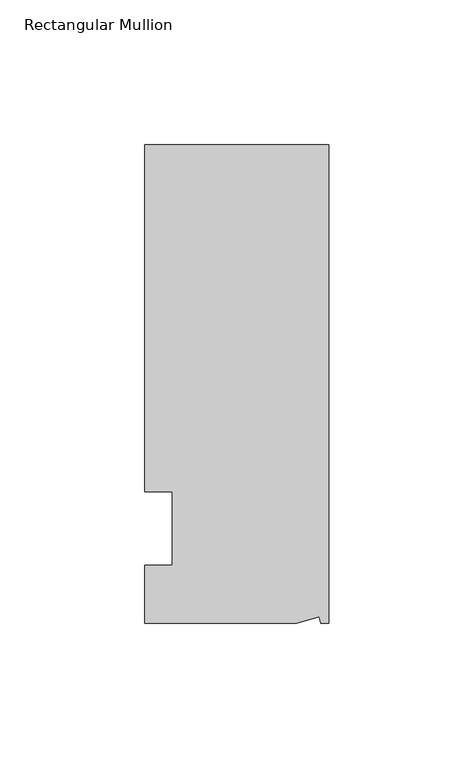
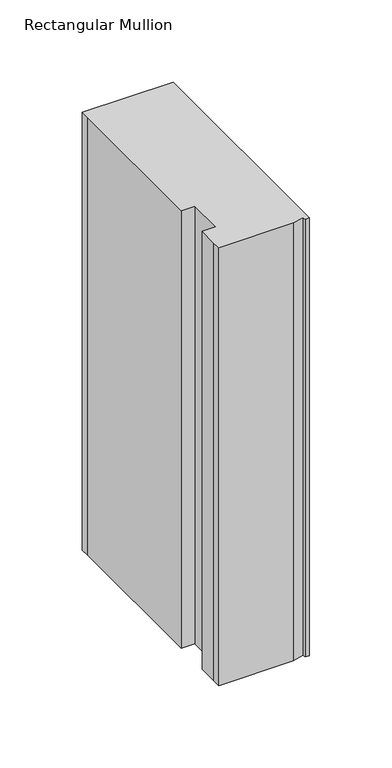
"""IFC4 building model written with IfcOpenShell, lengths in millimetres: member geometry, Rectangular Mullion."""

import ifcopenshell
import ifcopenshell.guid

model = None  # the IFC model being written
_history = None  # IfcOwnerHistory: only IFC2X3 demands one
_inside = {}  # id of a spatial element -> (the spatial element, [elements in it])
_under = {}  # id of a project, library or spatial element -> (it, [spatial elements below it])
_declared = {}  # id of a project -> (the project, [libraries it declares])
_typed = {}  # id of a type object -> (the type object, [elements of that type])
_made_of = {}  # id of a material, layer set ... -> (it, [elements and type objects made of it])


def new_model(schema):
    """Start an empty IFC model of exactly this schema.

    Asked for "IFC4X3", IfcOpenShell would pick the latest addendum, in which some entities
    have other attributes; the version numbers below select the first issue.
    IFC2X3 requires an IfcOwnerHistory on every rooted entity: one is made here for all.
    """
    global model, _history
    if schema == "IFC4X3":
        model = ifcopenshell.file(schema_version=(4, 3, 0, 0))
    else:
        model = ifcopenshell.file(schema=schema)
    _inside.clear()
    _under.clear()
    _declared.clear()
    _typed.clear()
    _made_of.clear()
    _history = None
    if model.schema == "IFC2X3":
        org = make("IfcOrganization", Name="unknown")
        user = make(
            "IfcPersonAndOrganization",
            ThePerson=make("IfcPerson", FamilyName="unknown"),
            TheOrganization=org,
        )
        app = make(
            "IfcApplication",
            ApplicationDeveloper=org,
            Version="unknown",
            ApplicationFullName="unknown",
            ApplicationIdentifier="unknown",
        )
        _history = make(
            "IfcOwnerHistory",
            OwningUser=user,
            OwningApplication=app,
            ChangeAction="ADDED",
            CreationDate=0,
        )
    return model


def make(cls, **values):
    """One entity of the class cls with the attributes given. An attribute that is None is left unset."""
    return model.create_entity(
        cls, **{name: value for name, value in values.items() if value is not None}
    )


def rooted(cls, **values):
    """An entity with a GlobalId (a new one), such as an element, a storey or a relation."""
    return make(cls, GlobalId=ifcopenshell.guid.new(), OwnerHistory=_history, **values)


def si_unit(unit_type, name, prefix=None):
    """IfcSIUnit, for example si_unit("LENGTHUNIT", "METRE", prefix="MILLI")."""
    return make("IfcSIUnit", UnitType=unit_type, Prefix=prefix, Name=name)


def assignment(units):
    """IfcUnitAssignment: the units of a project."""
    return None if units is None else make("IfcUnitAssignment", Units=units)


def point(xyz):
    """IfcCartesianPoint."""
    return None if xyz is None else make("IfcCartesianPoint", Coordinates=xyz)


def direction(xyz):
    """IfcDirection."""
    return None if xyz is None else make("IfcDirection", DirectionRatios=xyz)


def frame(location, z_axis=None, x_axis=None):
    """IfcAxis2Placement3D, a coordinate frame: its origin and axes. An axis left out is left unset."""
    return make(
        "IfcAxis2Placement3D",
        Location=point(location),
        Axis=direction(z_axis),
        RefDirection=direction(x_axis),
    )


def origin():
    """The frame at (0, 0, 0) with its axes left unset."""
    return frame((0.0, 0.0, 0.0))


def place(relative_to, where):
    """IfcLocalPlacement: puts the frame where relative to a parent placement (None: the world)."""
    return make(
        "IfcLocalPlacement", PlacementRelTo=relative_to, RelativePlacement=where
    )


def context(
    kind, dimensions, precision=None, world=None, true_north=None, identifier=None
):
    """IfcGeometricRepresentationContext, for example the 3D "Model" context."""
    return make(
        "IfcGeometricRepresentationContext",
        ContextIdentifier=identifier,
        ContextType=kind,
        CoordinateSpaceDimension=dimensions,
        Precision=precision,
        WorldCoordinateSystem=world,
        TrueNorth=true_north,
    )


def project(units=None, contexts=None):
    """IfcProject with its units and contexts."""
    return rooted(
        "IfcProject",
        Name="project",
        RepresentationContexts=contexts,
        UnitsInContext=assignment(units),
    )


def spatial(cls, under=None, at=None, **own):
    """A site, building, storey or space (cls), placed at a placement, below another one or the project."""
    s = rooted(cls, ObjectPlacement=at, **own)
    if under is not None:
        _under.setdefault(under.id(), (under, []))[1].append(s)
    return s


def polyline(points):
    """IfcPolyline through the points."""
    return make("IfcPolyline", Points=[point(p) for p in points])


def outline(outer, holes=None, kind="AREA"):
    """IfcArbitraryClosedProfileDef: a profile drawn as a closed curve; with holes, ...WithVoids."""
    if holes is None:
        return make("IfcArbitraryClosedProfileDef", ProfileType=kind, OuterCurve=outer)
    return make(
        "IfcArbitraryProfileDefWithVoids",
        ProfileType=kind,
        OuterCurve=outer,
        InnerCurves=holes,
    )


def extrude(swept, where, along, depth):
    """IfcExtrudedAreaSolid: the profile swept, set in the frame where, extruded along a direction by depth."""
    return make(
        "IfcExtrudedAreaSolid",
        SweptArea=swept,
        Position=where,
        ExtrudedDirection=direction(along),
        Depth=depth,
    )


def shape(context_of_items, identifier, shape_type, items):
    """IfcShapeRepresentation: the items that make up one representation, for example the "Body"."""
    return make(
        "IfcShapeRepresentation",
        ContextOfItems=context_of_items,
        RepresentationIdentifier=identifier,
        RepresentationType=shape_type,
        Items=items,
    )


def source(mapping_origin, context_of_items, identifier, shape_type, items):
    """IfcRepresentationMap: a shape defined once, which mapped items show again and again."""
    return make(
        "IfcRepresentationMap",
        MappingOrigin=mapping_origin,
        MappedRepresentation=shape(context_of_items, identifier, shape_type, items),
    )


def transform(
    local_origin,
    x_axis=None,
    y_axis=None,
    z_axis=None,
    scale=None,
    scale2=None,
    scale3=None,
    uniform=True,
):
    """IfcCartesianTransformationOperator3D, or its non-uniform kind. x_axis, y_axis, z_axis: its Axis1, 2, 3."""
    if uniform:
        return make(
            "IfcCartesianTransformationOperator3D",
            Axis1=direction(x_axis),
            Axis2=direction(y_axis),
            LocalOrigin=point(local_origin),
            Scale=scale,
            Axis3=direction(z_axis),
        )
    return make(
        "IfcCartesianTransformationOperator3DnonUniform",
        Axis1=direction(x_axis),
        Axis2=direction(y_axis),
        LocalOrigin=point(local_origin),
        Scale=scale,
        Axis3=direction(z_axis),
        Scale2=scale2,
        Scale3=scale3,
    )


def mapped(mapping_source, mapping_target):
    """IfcMappedItem: shows the shape of a source again, moved by a transform."""
    return make(
        "IfcMappedItem", MappingSource=mapping_source, MappingTarget=mapping_target
    )


def made_of(thing, what):
    """Note that an element or type object is made of a material, layer set ...; save() writes the relation."""
    if what is not None:
        _made_of.setdefault(what.id(), (what, []))[1].append(thing)
    return thing


def element(
    cls,
    number,
    at=None,
    inside=None,
    cuts=None,
    type_object=None,
    material=None,
    context=None,
    identifier="Body",
    shape_type=None,
    held_by="IfcProductDefinitionShape",
    body=None,
    shapes=None,
    **own,
):
    """One element of the class cls, such as IfcWall. Its Tag is "e" and its number.

    at: its placement. inside: the storey or other place that contains it. cuts: it is an
    opening in that element (IfcRelVoidsElement). A single representation is given by context,
    identifier, shape_type and body (its items); several are given by shapes. held_by: the class
    of the entity that holds the representations. save() writes the other relations.
    """
    e = rooted(cls, Tag="e%d" % number, ObjectPlacement=at, **own)
    if body is not None:
        shapes = [shape(context, identifier, shape_type, body)]
    if shapes is not None:
        e.Representation = make(held_by, Representations=shapes)
    if inside is not None:
        _inside.setdefault(inside.id(), (inside, []))[1].append(e)
    if cuts is not None:
        rooted(
            "IfcRelVoidsElement", RelatingBuildingElement=cuts, RelatedOpeningElement=e
        )
    if type_object is not None:
        _typed.setdefault(type_object.id(), (type_object, []))[1].append(e)
    return made_of(e, material)


def aggregate(whole, parts):
    """IfcRelAggregates: a whole, such as a stair, and the parts it consists of."""
    return rooted("IfcRelAggregates", RelatingObject=whole, RelatedObjects=parts)


def save(model, path):
    """Write the relations noted so far, then the file.

    IfcRelAggregates (storeys below a building ...), IfcRelContainedInSpatialStructure (elements
    in a storey), IfcRelDefinesByType, IfcRelAssociatesMaterial and IfcRelDeclares: one each for
    every whole, place, type object, material and project.
    """
    for whole, parts in _under.values():
        aggregate(whole, parts)
    for where, things in _inside.values():
        rooted(
            "IfcRelContainedInSpatialStructure",
            RelatedElements=things,
            RelatingStructure=where,
        )
    for kind, things in _typed.values():
        rooted("IfcRelDefinesByType", RelatedObjects=things, RelatingType=kind)
    for what, things in _made_of.values():
        rooted("IfcRelAssociatesMaterial", RelatedObjects=things, RelatingMaterial=what)
    for by, libraries in _declared.values():
        rooted("IfcRelDeclares", RelatingContext=by, RelatedDefinitions=libraries)
    model.write(path)


def rectangular_mullion_60d3fd19(model_context):
    return source(origin(), model_context, "Body", "SweptSolid", [
        extrude(outline(polyline([(0.0, 132.5561012), (0.0, -32.5438988), (-2.7616541, -32.5438988), (-3.3341886, -30.4622958), (-11.121847, -32.5438988), (-63.5, -32.5438988), (-63.5, -26.1938988), (-63.5, -12.5945801), (-53.975, -12.5945801), (-53.975, 12.8054199), (-63.5, 12.8054199), (-63.5, 126.2061012), (-63.5, 132.5561012), (0.0, 132.5561012)])), frame((0.0, 0.0, -324.0836212), z_axis=(0.0, 0.0, 1.0), x_axis=(1.0, 0.0, 0.0)), (0.0, 0.0, 1.0), 324.0836212),
    ])


if __name__ == "__main__":
    model = new_model("IFC4")
    model_context = context("Model", 3, world=origin())
    ifc_project = project(units=[si_unit("LENGTHUNIT", "METRE", prefix="MILLI")], contexts=[model_context])
    site = spatial("IfcSite", under=ifc_project)
    building = spatial("IfcBuilding", under=site)
    placement = place(None, origin())
    rectangular_mullion_shape = rectangular_mullion_60d3fd19(model_context)
    element("IfcMember", 1, ObjectType="Rectangular Mullion", at=placement, inside=building, context=model_context, shape_type="MappedRepresentation", body=[
        mapped(rectangular_mullion_shape, transform((0.0, 0.0, 0.0), x_axis=(1.0, 0.0, 0.0), y_axis=(0.0, 1.0, 0.0), z_axis=(0.0, 0.0, 1.0))),
    ])
    save(model, "model.ifc")
